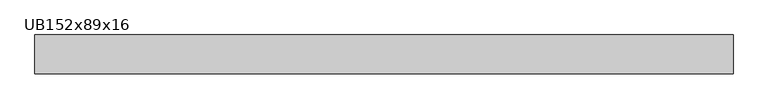
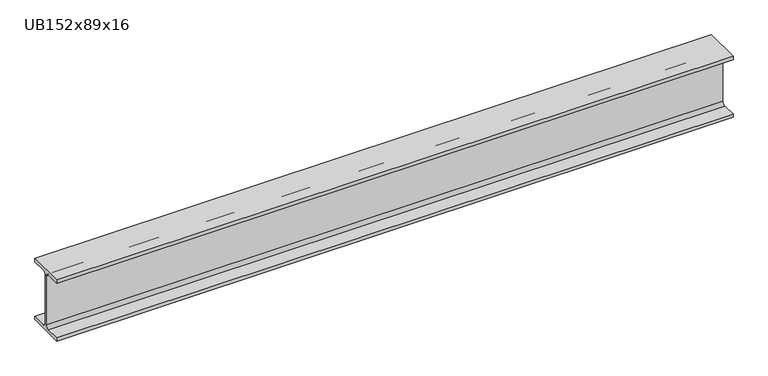
"""IFC4 building model written with IfcOpenShell, lengths in millimetres: beam geometry, UB152x89x16."""

from ifc_helpers import new_model, si_unit, point, frame, frame_2d, origin, place, context, project, spatial, polyline, circle_curve, trimmed, segment, composite_curve, outline, extrude, source, transform, mapped, element, save


def ub152x89x16_f35790ef(model_context):
    return source(origin(), model_context, "Body", "SweptSolid", [
        extrude(outline(composite_curve([segment(polyline([(44.35, -68.5), (44.35, -76.2), (-44.35, -76.2), (-44.35, -68.5), (-9.85, -68.5)]), True, "CONTINUOUS"), segment(trimmed(circle_curve(frame_2d((-9.85, -60.9)), 7.6), [point((-9.85, -68.5))], [point((-2.25, -60.9))], True, "CARTESIAN"), True, "CONTINUOUS"), segment(polyline([(-2.25, -60.9), (-2.25, 60.9)]), True, "CONTINUOUS"), segment(trimmed(circle_curve(frame_2d((-9.85, 60.9)), 7.6), [point((-2.25, 60.9))], [point((-9.85, 68.5))], True, "CARTESIAN"), True, "CONTINUOUS"), segment(polyline([(-9.85, 68.5), (-44.35, 68.5), (-44.35, 76.2), (44.35, 76.2), (44.35, 68.5), (9.85, 68.5)]), True, "CONTINUOUS"), segment(trimmed(circle_curve(frame_2d((9.85, 60.9)), 7.6), [point((9.85, 68.5))], [point((2.25, 60.9))], True, "CARTESIAN"), True, "CONTINUOUS"), segment(polyline([(2.25, 60.9), (2.25, -60.9)]), True, "CONTINUOUS"), segment(trimmed(circle_curve(frame_2d((9.85, -60.9)), 7.6), [point((2.25, -60.9))], [point((9.85, -68.5))], True, "CARTESIAN"), True, "CONTINUOUS"), segment(polyline([(9.85, -68.5), (44.35, -68.5)]), True, "CONTINUOUS")], self_intersect=False)), frame((-798.95, 0.0, 0.0), z_axis=(1.0, 0.0, 0.0), x_axis=(0.0, 1.0, 0.0)), (0.0, 0.0, 1.0), 1597.9),
    ])


if __name__ == "__main__":
    model = new_model("IFC4")
    model_context = context("Model", 3, world=origin())
    ifc_project = project(units=[si_unit("LENGTHUNIT", "METRE", prefix="MILLI")], contexts=[model_context])
    site = spatial("IfcSite", under=ifc_project)
    building = spatial("IfcBuilding", under=site)
    placement = place(None, origin())
    ub152x89x16_shape = ub152x89x16_f35790ef(model_context)
    element("IfcBeam", 1, ObjectType="UB152x89x16", at=placement, inside=building, context=model_context, shape_type="MappedRepresentation", body=[
        mapped(ub152x89x16_shape, transform((0.0, 0.0, 0.0), x_axis=(1.0, 0.0, 0.0), y_axis=(0.0, 1.0, 0.0), z_axis=(0.0, 0.0, 1.0))),
    ])
    save(model, "model.ifc")
